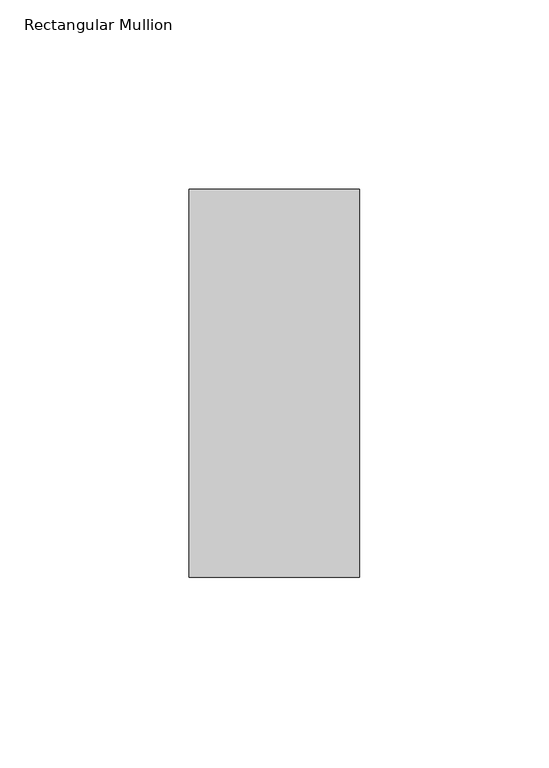
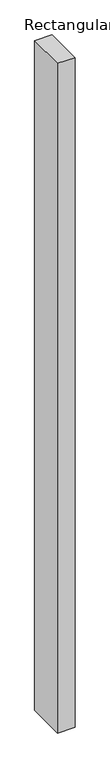
"""IFC4 building model written with IfcOpenShell, lengths in millimetres: member geometry, Rectangular Mullion."""

from ifc_helpers import new_model, si_unit, frame, origin, place, context, project, spatial, polyline, outline, extrude, source, transform, mapped, element, save


def rectangular_mullion_cf95ccac(model_context):
    return source(origin(), model_context, "Body", "SweptSolid", [
        extrude(outline(polyline([(22.5, 66.73125), (22.5, -35.73125), (-22.5, -35.73125), (-22.5, 66.73125), (22.5, 66.73125)])), frame((0.0, 0.0, -1828.8), z_axis=(0.0, 0.0, 1.0), x_axis=(1.0, 0.0, 0.0)), (0.0, 0.0, 1.0), 1828.8),
    ])


if __name__ == "__main__":
    model = new_model("IFC4")
    model_context = context("Model", 3, world=origin())
    ifc_project = project(units=[si_unit("LENGTHUNIT", "METRE", prefix="MILLI")], contexts=[model_context])
    site = spatial("IfcSite", under=ifc_project)
    building = spatial("IfcBuilding", under=site)
    placement = place(None, origin())
    rectangular_mullion_shape = rectangular_mullion_cf95ccac(model_context)
    element("IfcMember", 1, ObjectType="Rectangular Mullion", at=placement, inside=building, context=model_context, shape_type="MappedRepresentation", body=[
        mapped(rectangular_mullion_shape, transform((0.0, 0.0, 0.0), x_axis=(1.0, 0.0, 0.0), y_axis=(0.0, 1.0, 0.0), z_axis=(0.0, 0.0, 1.0))),
    ])
    save(model, "model.ifc")
